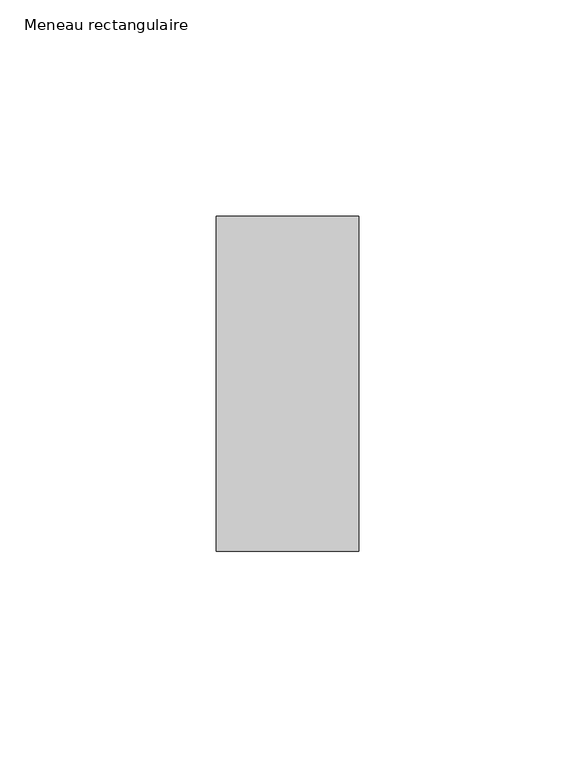
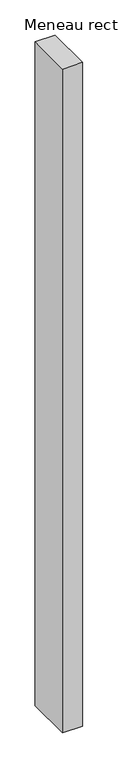
"""IFC4 building model written with IfcOpenShell, lengths in millimetres: member geometry, Meneau rectangulaire."""

from ifc_helpers import new_model, si_unit, frame, origin, place, context, project, spatial, polyline, outline, extrude, source, transform, mapped, element, save


def meneau_rectangulaire_7177eca7(model_context):
    return source(origin(), model_context, "Body", "SweptSolid", [
        extrude(outline(polyline([(0.0, 38.75), (0.0, -38.75), (-33.0, -38.75), (-33.0, 38.75), (0.0, 38.75)])), frame((0.0, 0.0, -1147.5357145), z_axis=(0.0, 0.0, 1.0), x_axis=(1.0, 0.0, 0.0)), (0.0, 0.0, 1.0), 1147.5357145),
    ])


if __name__ == "__main__":
    model = new_model("IFC4")
    model_context = context("Model", 3, world=origin())
    ifc_project = project(units=[si_unit("LENGTHUNIT", "METRE", prefix="MILLI")], contexts=[model_context])
    site = spatial("IfcSite", under=ifc_project)
    building = spatial("IfcBuilding", under=site)
    placement = place(None, origin())
    meneau_rectangulaire_shape = meneau_rectangulaire_7177eca7(model_context)
    element("IfcMember", 1, ObjectType="Meneau rectangulaire", at=placement, inside=building, context=model_context, shape_type="MappedRepresentation", body=[
        mapped(meneau_rectangulaire_shape, transform((0.0, 0.0, 0.0), x_axis=(1.0, 0.0, 0.0), y_axis=(0.0, 1.0, 0.0), z_axis=(0.0, 0.0, 1.0))),
    ])
    save(model, "model.ifc")
